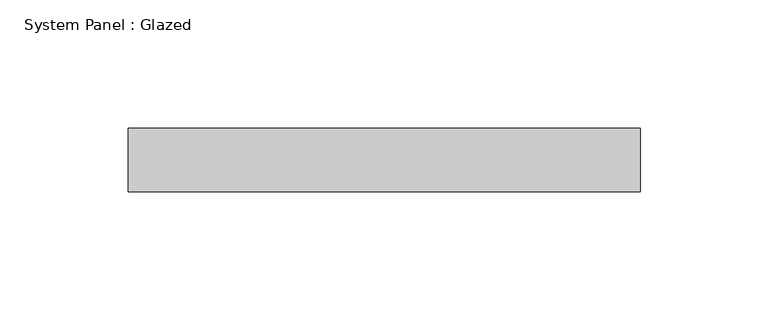
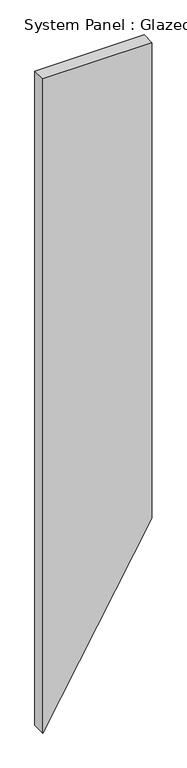
"""IFC4 building model written with IfcOpenShell, lengths in millimetres: plate geometry, System Panel : Glazed."""

import ifcopenshell
import ifcopenshell.guid

model = None  # the IFC model being written
_history = None  # IfcOwnerHistory: only IFC2X3 demands one
_inside = {}  # id of a spatial element -> (the spatial element, [elements in it])
_under = {}  # id of a project, library or spatial element -> (it, [spatial elements below it])
_declared = {}  # id of a project -> (the project, [libraries it declares])
_typed = {}  # id of a type object -> (the type object, [elements of that type])
_made_of = {}  # id of a material, layer set ... -> (it, [elements and type objects made of it])


def new_model(schema):
    """Start an empty IFC model of exactly this schema.

    Asked for "IFC4X3", IfcOpenShell would pick the latest addendum, in which some entities
    have other attributes; the version numbers below select the first issue.
    IFC2X3 requires an IfcOwnerHistory on every rooted entity: one is made here for all.
    """
    global model, _history
    if schema == "IFC4X3":
        model = ifcopenshell.file(schema_version=(4, 3, 0, 0))
    else:
        model = ifcopenshell.file(schema=schema)
    _inside.clear()
    _under.clear()
    _declared.clear()
    _typed.clear()
    _made_of.clear()
    _history = None
    if model.schema == "IFC2X3":
        org = make("IfcOrganization", Name="unknown")
        user = make(
            "IfcPersonAndOrganization",
            ThePerson=make("IfcPerson", FamilyName="unknown"),
            TheOrganization=org,
        )
        app = make(
            "IfcApplication",
            ApplicationDeveloper=org,
            Version="unknown",
            ApplicationFullName="unknown",
            ApplicationIdentifier="unknown",
        )
        _history = make(
            "IfcOwnerHistory",
            OwningUser=user,
            OwningApplication=app,
            ChangeAction="ADDED",
            CreationDate=0,
        )
    return model


def make(cls, **values):
    """One entity of the class cls with the attributes given. An attribute that is None is left unset."""
    return model.create_entity(
        cls, **{name: value for name, value in values.items() if value is not None}
    )


def rooted(cls, **values):
    """An entity with a GlobalId (a new one), such as an element, a storey or a relation."""
    return make(cls, GlobalId=ifcopenshell.guid.new(), OwnerHistory=_history, **values)


def si_unit(unit_type, name, prefix=None):
    """IfcSIUnit, for example si_unit("LENGTHUNIT", "METRE", prefix="MILLI")."""
    return make("IfcSIUnit", UnitType=unit_type, Prefix=prefix, Name=name)


def assignment(units):
    """IfcUnitAssignment: the units of a project."""
    return None if units is None else make("IfcUnitAssignment", Units=units)


def point(xyz):
    """IfcCartesianPoint."""
    return None if xyz is None else make("IfcCartesianPoint", Coordinates=xyz)


def direction(xyz):
    """IfcDirection."""
    return None if xyz is None else make("IfcDirection", DirectionRatios=xyz)


def frame(location, z_axis=None, x_axis=None):
    """IfcAxis2Placement3D, a coordinate frame: its origin and axes. An axis left out is left unset."""
    return make(
        "IfcAxis2Placement3D",
        Location=point(location),
        Axis=direction(z_axis),
        RefDirection=direction(x_axis),
    )


def origin():
    """The frame at (0, 0, 0) with its axes left unset."""
    return frame((0.0, 0.0, 0.0))


def place(relative_to, where):
    """IfcLocalPlacement: puts the frame where relative to a parent placement (None: the world)."""
    return make(
        "IfcLocalPlacement", PlacementRelTo=relative_to, RelativePlacement=where
    )


def context(
    kind, dimensions, precision=None, world=None, true_north=None, identifier=None
):
    """IfcGeometricRepresentationContext, for example the 3D "Model" context."""
    return make(
        "IfcGeometricRepresentationContext",
        ContextIdentifier=identifier,
        ContextType=kind,
        CoordinateSpaceDimension=dimensions,
        Precision=precision,
        WorldCoordinateSystem=world,
        TrueNorth=true_north,
    )


def project(units=None, contexts=None):
    """IfcProject with its units and contexts."""
    return rooted(
        "IfcProject",
        Name="project",
        RepresentationContexts=contexts,
        UnitsInContext=assignment(units),
    )


def spatial(cls, under=None, at=None, **own):
    """A site, building, storey or space (cls), placed at a placement, below another one or the project."""
    s = rooted(cls, ObjectPlacement=at, **own)
    if under is not None:
        _under.setdefault(under.id(), (under, []))[1].append(s)
    return s


def polyline(points):
    """IfcPolyline through the points."""
    return make("IfcPolyline", Points=[point(p) for p in points])


def outline(outer, holes=None, kind="AREA"):
    """IfcArbitraryClosedProfileDef: a profile drawn as a closed curve; with holes, ...WithVoids."""
    if holes is None:
        return make("IfcArbitraryClosedProfileDef", ProfileType=kind, OuterCurve=outer)
    return make(
        "IfcArbitraryProfileDefWithVoids",
        ProfileType=kind,
        OuterCurve=outer,
        InnerCurves=holes,
    )


def extrude(swept, where, along, depth):
    """IfcExtrudedAreaSolid: the profile swept, set in the frame where, extruded along a direction by depth."""
    return make(
        "IfcExtrudedAreaSolid",
        SweptArea=swept,
        Position=where,
        ExtrudedDirection=direction(along),
        Depth=depth,
    )


def shape(context_of_items, identifier, shape_type, items):
    """IfcShapeRepresentation: the items that make up one representation, for example the "Body"."""
    return make(
        "IfcShapeRepresentation",
        ContextOfItems=context_of_items,
        RepresentationIdentifier=identifier,
        RepresentationType=shape_type,
        Items=items,
    )


def source(mapping_origin, context_of_items, identifier, shape_type, items):
    """IfcRepresentationMap: a shape defined once, which mapped items show again and again."""
    return make(
        "IfcRepresentationMap",
        MappingOrigin=mapping_origin,
        MappedRepresentation=shape(context_of_items, identifier, shape_type, items),
    )


def transform(
    local_origin,
    x_axis=None,
    y_axis=None,
    z_axis=None,
    scale=None,
    scale2=None,
    scale3=None,
    uniform=True,
):
    """IfcCartesianTransformationOperator3D, or its non-uniform kind. x_axis, y_axis, z_axis: its Axis1, 2, 3."""
    if uniform:
        return make(
            "IfcCartesianTransformationOperator3D",
            Axis1=direction(x_axis),
            Axis2=direction(y_axis),
            LocalOrigin=point(local_origin),
            Scale=scale,
            Axis3=direction(z_axis),
        )
    return make(
        "IfcCartesianTransformationOperator3DnonUniform",
        Axis1=direction(x_axis),
        Axis2=direction(y_axis),
        LocalOrigin=point(local_origin),
        Scale=scale,
        Axis3=direction(z_axis),
        Scale2=scale2,
        Scale3=scale3,
    )


def mapped(mapping_source, mapping_target):
    """IfcMappedItem: shows the shape of a source again, moved by a transform."""
    return make(
        "IfcMappedItem", MappingSource=mapping_source, MappingTarget=mapping_target
    )


def made_of(thing, what):
    """Note that an element or type object is made of a material, layer set ...; save() writes the relation."""
    if what is not None:
        _made_of.setdefault(what.id(), (what, []))[1].append(thing)
    return thing


def element(
    cls,
    number,
    at=None,
    inside=None,
    cuts=None,
    type_object=None,
    material=None,
    context=None,
    identifier="Body",
    shape_type=None,
    held_by="IfcProductDefinitionShape",
    body=None,
    shapes=None,
    **own,
):
    """One element of the class cls, such as IfcWall. Its Tag is "e" and its number.

    at: its placement. inside: the storey or other place that contains it. cuts: it is an
    opening in that element (IfcRelVoidsElement). A single representation is given by context,
    identifier, shape_type and body (its items); several are given by shapes. held_by: the class
    of the entity that holds the representations. save() writes the other relations.
    """
    e = rooted(cls, Tag="e%d" % number, ObjectPlacement=at, **own)
    if body is not None:
        shapes = [shape(context, identifier, shape_type, body)]
    if shapes is not None:
        e.Representation = make(held_by, Representations=shapes)
    if inside is not None:
        _inside.setdefault(inside.id(), (inside, []))[1].append(e)
    if cuts is not None:
        rooted(
            "IfcRelVoidsElement", RelatingBuildingElement=cuts, RelatedOpeningElement=e
        )
    if type_object is not None:
        _typed.setdefault(type_object.id(), (type_object, []))[1].append(e)
    return made_of(e, material)


def aggregate(whole, parts):
    """IfcRelAggregates: a whole, such as a stair, and the parts it consists of."""
    return rooted("IfcRelAggregates", RelatingObject=whole, RelatedObjects=parts)


def save(model, path):
    """Write the relations noted so far, then the file.

    IfcRelAggregates (storeys below a building ...), IfcRelContainedInSpatialStructure (elements
    in a storey), IfcRelDefinesByType, IfcRelAssociatesMaterial and IfcRelDeclares: one each for
    every whole, place, type object, material and project.
    """
    for whole, parts in _under.values():
        aggregate(whole, parts)
    for where, things in _inside.values():
        rooted(
            "IfcRelContainedInSpatialStructure",
            RelatedElements=things,
            RelatingStructure=where,
        )
    for kind, things in _typed.values():
        rooted("IfcRelDefinesByType", RelatedObjects=things, RelatingType=kind)
    for what, things in _made_of.values():
        rooted("IfcRelAssociatesMaterial", RelatedObjects=things, RelatingMaterial=what)
    for by, libraries in _declared.values():
        rooted("IfcRelDeclares", RelatingContext=by, RelatedDefinitions=libraries)
    model.write(path)


def system_panel_glazed_85c47e3a(model_context):
    return source(origin(), model_context, "Body", "SweptSolid", [
        extrude(outline(polyline([(0.0, -100.0), (346.4101615, 100.0), (1267.9491919, 100.0), (1267.9491919, -100.0), (0.0, -100.0)])), frame((0.0, 24.5, 0.0), z_axis=(0.0, 1.0, 0.0), x_axis=(0.0, 0.0, 1.0)), (0.0, 0.0, 1.0), 25.0),
    ])


if __name__ == "__main__":
    model = new_model("IFC4")
    model_context = context("Model", 3, world=origin())
    ifc_project = project(units=[si_unit("LENGTHUNIT", "METRE", prefix="MILLI")], contexts=[model_context])
    site = spatial("IfcSite", under=ifc_project)
    building = spatial("IfcBuilding", under=site)
    placement = place(None, origin())
    system_panel_glazed_shape = system_panel_glazed_85c47e3a(model_context)
    element("IfcPlate", 1, ObjectType="System Panel : Glazed", at=placement, inside=building, context=model_context, shape_type="MappedRepresentation", body=[
        mapped(system_panel_glazed_shape, transform((0.0, 0.0, 0.0), x_axis=(1.0, 0.0, 0.0), y_axis=(0.0, 1.0, 0.0), z_axis=(0.0, 0.0, 1.0))),
    ])
    save(model, "model.ifc")
